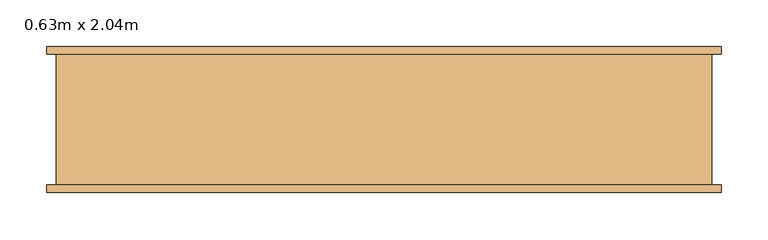
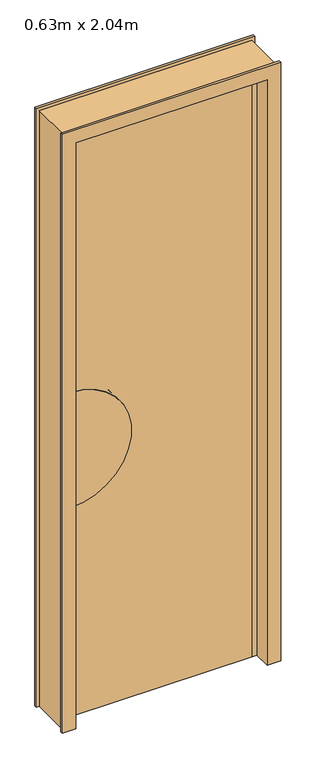
"""IFC4 building model written with IfcOpenShell, lengths in millimetres: door geometry, 0.63m x 2.04m."""

from ifc_helpers import new_model, si_unit, point, frame, frame_2d, origin, origin_with_axes, place, context, project, spatial, polyline, circle_curve, trimmed, segment, composite_curve, outline, extrude, faceted_brep, source, transform, mapped, element, save


def door_0_63m_x_2_04m_4515b054(model_context):
    return source(origin(), model_context, "Body", "SolidModel", [
        faceted_brep([(-350.0, -70.0, 0.0), (-350.0, 70.0, 0.0), (-360.0, 70.0, 0.0), (-360.0, 78.0, 0.0), (-315.0, 78.0, 0.0), (-315.0, 20.0, 0.0), (-300.0, 20.0, 0.0), (-300.0, -20.0, 0.0), (-315.0, -20.0, 0.0), (-315.0, -78.0, 0.0), (-360.0, -78.0, 0.0), (-360.0, -70.0, 0.0), (-350.0, -70.0, 2075.0), (-350.0, 70.0, 2075.0), (350.0, 70.0, 2075.0), (350.0, 70.0, 0.0), (360.0, 70.0, 0.0), (360.0, 70.0, 2085.0), (-360.0, 70.0, 2085.0), (-360.0, 78.0, 2085.0), (360.0, 78.0, 2085.0), (360.0, 78.0, 0.0), (315.0, 78.0, 0.0), (315.0, 78.0, 2040.0), (-315.0, 78.0, 2040.0), (-315.0, 20.0, 2040.0), (315.0, 20.0, 2040.0), (315.0, 20.0, 0.0), (300.0, 20.0, 0.0), (300.0, 20.0, 2025.0), (-300.0, 20.0, 2025.0), (-300.0, -20.0, 2025.0), (300.0, -20.0, 2025.0), (300.0, -20.0, 0.0), (315.0, -20.0, 0.0), (315.0, -20.0, 2040.0), (-315.0, -20.0, 2040.0), (-315.0, -78.0, 2040.0), (315.0, -78.0, 2040.0), (315.0, -78.0, 0.0), (360.0, -78.0, 0.0), (360.0, -78.0, 2085.0), (-360.0, -78.0, 2085.0), (-360.0, -70.0, 2085.0), (360.0, -70.0, 2085.0), (360.0, -70.0, 0.0), (350.0, -70.0, 0.0), (350.0, -70.0, 2075.0)], [[[0, 1, 2, 3, 4, 5, 6, 7, 8, 9, 10, 11]], [[1, 0, 12, 13]], [[2, 1, 13, 14, 15, 16, 17, 18]], [[3, 2, 18, 19]], [[4, 3, 19, 20, 21, 22, 23, 24]], [[5, 4, 24, 25]], [[6, 5, 25, 26, 27, 28, 29, 30]], [[7, 6, 30, 31]], [[8, 7, 31, 32, 33, 34, 35, 36]], [[9, 8, 36, 37]], [[10, 9, 37, 38, 39, 40, 41, 42]], [[11, 10, 42, 43]], [[0, 11, 43, 44, 45, 46, 47, 12]], [[14, 47, 46, 15]], [[46, 45, 40, 39, 34, 33, 28, 27, 22, 21, 16, 15]], [[20, 17, 16, 21]], [[26, 23, 22, 27]], [[32, 29, 28, 33]], [[38, 35, 34, 39]], [[44, 41, 40, 45]], [[13, 12, 47, 14]], [[19, 18, 17, 20]], [[25, 24, 23, 26]], [[31, 30, 29, 32]], [[37, 36, 35, 38]], [[43, 42, 41, 44]]]),
        extrude(outline(polyline([(300.0, -20.0), (-300.0, -20.0), (-300.0, 20.0), (300.0, 20.0), (300.0, -20.0)])), origin_with_axes(), (0.0, 0.0, 1.0), 2025.0),
        extrude(outline(composite_curve([segment(polyline([(1130.0, -300.0), (730.0, -300.0)]), True, "CONTINUOUS"), segment(trimmed(circle_curve(frame_2d((930.0, -300.0)), 200.0), [point((730.0, -300.0))], [point((1130.0, -300.0))], False, "CARTESIAN"), True, "CONTINUOUS")], self_intersect=False)), frame((0.0, 20.0, 0.0), z_axis=(0.0, 1.0, 0.0), x_axis=(0.0, 0.0, 1.0)), (0.0, 0.0, 1.0), 2.0),
        extrude(outline(composite_curve([segment(trimmed(circle_curve(frame_2d((930.0, -300.0)), 200.0), [point((730.0, -300.0))], [point((1130.0, -300.0))], False, "CARTESIAN"), True, "CONTINUOUS"), segment(polyline([(1130.0, -300.0), (730.0, -300.0)]), True, "CONTINUOUS")], self_intersect=False)), frame((0.0, -22.0, 0.0), z_axis=(0.0, 1.0, 0.0), x_axis=(0.0, 0.0, 1.0)), (0.0, 0.0, 1.0), 2.0),
    ])


if __name__ == "__main__":
    model = new_model("IFC4")
    model_context = context("Model", 3, world=origin())
    ifc_project = project(units=[si_unit("LENGTHUNIT", "METRE", prefix="MILLI")], contexts=[model_context])
    site = spatial("IfcSite", under=ifc_project)
    building = spatial("IfcBuilding", under=site)
    placement = place(None, origin())
    door_0_63m_x_2_04m_shape = door_0_63m_x_2_04m_4515b054(model_context)
    element("IfcDoor", 1, ObjectType="0.63m x 2.04m", at=placement, inside=building, context=model_context, shape_type="MappedRepresentation", body=[
        mapped(door_0_63m_x_2_04m_shape, transform((0.0, 0.0, 0.0), x_axis=(1.0, 0.0, 0.0), y_axis=(0.0, 1.0, 0.0), z_axis=(0.0, 0.0, 1.0))),
    ])
    save(model, "model.ifc")
